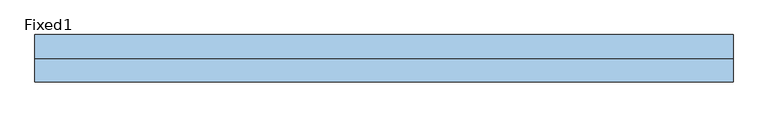
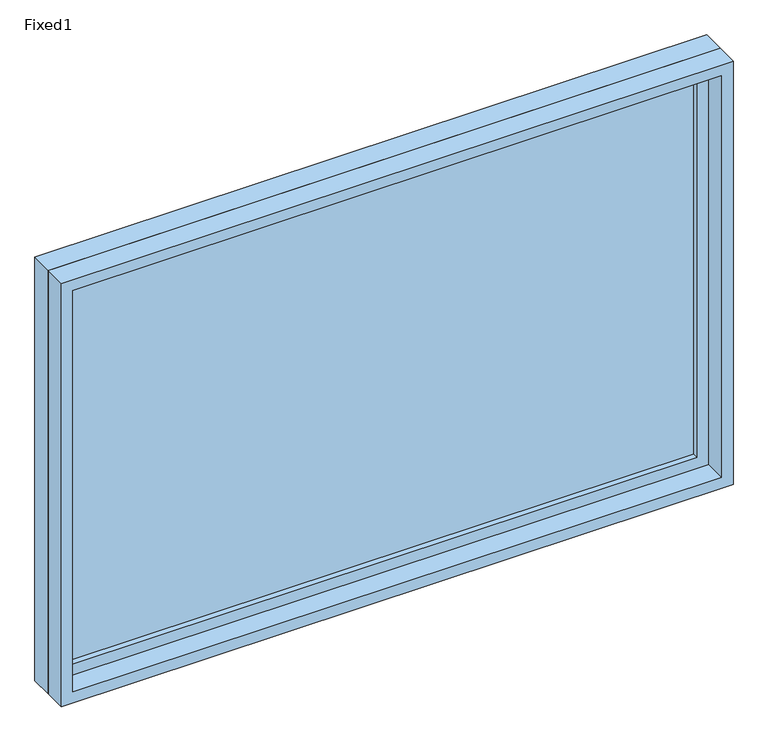
"""IFC4 building model written with IfcOpenShell, lengths in millimetres: window geometry, Fixed1."""

import ifcopenshell
import ifcopenshell.guid

model = None  # the IFC model being written
_history = None  # IfcOwnerHistory: only IFC2X3 demands one
_inside = {}  # id of a spatial element -> (the spatial element, [elements in it])
_under = {}  # id of a project, library or spatial element -> (it, [spatial elements below it])
_declared = {}  # id of a project -> (the project, [libraries it declares])
_typed = {}  # id of a type object -> (the type object, [elements of that type])
_made_of = {}  # id of a material, layer set ... -> (it, [elements and type objects made of it])


def new_model(schema):
    """Start an empty IFC model of exactly this schema.

    Asked for "IFC4X3", IfcOpenShell would pick the latest addendum, in which some entities
    have other attributes; the version numbers below select the first issue.
    IFC2X3 requires an IfcOwnerHistory on every rooted entity: one is made here for all.
    """
    global model, _history
    if schema == "IFC4X3":
        model = ifcopenshell.file(schema_version=(4, 3, 0, 0))
    else:
        model = ifcopenshell.file(schema=schema)
    _inside.clear()
    _under.clear()
    _declared.clear()
    _typed.clear()
    _made_of.clear()
    _history = None
    if model.schema == "IFC2X3":
        org = make("IfcOrganization", Name="unknown")
        user = make(
            "IfcPersonAndOrganization",
            ThePerson=make("IfcPerson", FamilyName="unknown"),
            TheOrganization=org,
        )
        app = make(
            "IfcApplication",
            ApplicationDeveloper=org,
            Version="unknown",
            ApplicationFullName="unknown",
            ApplicationIdentifier="unknown",
        )
        _history = make(
            "IfcOwnerHistory",
            OwningUser=user,
            OwningApplication=app,
            ChangeAction="ADDED",
            CreationDate=0,
        )
    return model


def make(cls, **values):
    """One entity of the class cls with the attributes given. An attribute that is None is left unset."""
    return model.create_entity(
        cls, **{name: value for name, value in values.items() if value is not None}
    )


def rooted(cls, **values):
    """An entity with a GlobalId (a new one), such as an element, a storey or a relation."""
    return make(cls, GlobalId=ifcopenshell.guid.new(), OwnerHistory=_history, **values)


def si_unit(unit_type, name, prefix=None):
    """IfcSIUnit, for example si_unit("LENGTHUNIT", "METRE", prefix="MILLI")."""
    return make("IfcSIUnit", UnitType=unit_type, Prefix=prefix, Name=name)


def assignment(units):
    """IfcUnitAssignment: the units of a project."""
    return None if units is None else make("IfcUnitAssignment", Units=units)


def point(xyz):
    """IfcCartesianPoint."""
    return None if xyz is None else make("IfcCartesianPoint", Coordinates=xyz)


def direction(xyz):
    """IfcDirection."""
    return None if xyz is None else make("IfcDirection", DirectionRatios=xyz)


def frame(location, z_axis=None, x_axis=None):
    """IfcAxis2Placement3D, a coordinate frame: its origin and axes. An axis left out is left unset."""
    return make(
        "IfcAxis2Placement3D",
        Location=point(location),
        Axis=direction(z_axis),
        RefDirection=direction(x_axis),
    )


def origin():
    """The frame at (0, 0, 0) with its axes left unset."""
    return frame((0.0, 0.0, 0.0))


def place(relative_to, where):
    """IfcLocalPlacement: puts the frame where relative to a parent placement (None: the world)."""
    return make(
        "IfcLocalPlacement", PlacementRelTo=relative_to, RelativePlacement=where
    )


def context(
    kind, dimensions, precision=None, world=None, true_north=None, identifier=None
):
    """IfcGeometricRepresentationContext, for example the 3D "Model" context."""
    return make(
        "IfcGeometricRepresentationContext",
        ContextIdentifier=identifier,
        ContextType=kind,
        CoordinateSpaceDimension=dimensions,
        Precision=precision,
        WorldCoordinateSystem=world,
        TrueNorth=true_north,
    )


def project(units=None, contexts=None):
    """IfcProject with its units and contexts."""
    return rooted(
        "IfcProject",
        Name="project",
        RepresentationContexts=contexts,
        UnitsInContext=assignment(units),
    )


def spatial(cls, under=None, at=None, **own):
    """A site, building, storey or space (cls), placed at a placement, below another one or the project."""
    s = rooted(cls, ObjectPlacement=at, **own)
    if under is not None:
        _under.setdefault(under.id(), (under, []))[1].append(s)
    return s


def polyline(points):
    """IfcPolyline through the points."""
    return make("IfcPolyline", Points=[point(p) for p in points])


def outline(outer, holes=None, kind="AREA"):
    """IfcArbitraryClosedProfileDef: a profile drawn as a closed curve; with holes, ...WithVoids."""
    if holes is None:
        return make("IfcArbitraryClosedProfileDef", ProfileType=kind, OuterCurve=outer)
    return make(
        "IfcArbitraryProfileDefWithVoids",
        ProfileType=kind,
        OuterCurve=outer,
        InnerCurves=holes,
    )


def extrude(swept, where, along, depth):
    """IfcExtrudedAreaSolid: the profile swept, set in the frame where, extruded along a direction by depth."""
    return make(
        "IfcExtrudedAreaSolid",
        SweptArea=swept,
        Position=where,
        ExtrudedDirection=direction(along),
        Depth=depth,
    )


def shape(context_of_items, identifier, shape_type, items):
    """IfcShapeRepresentation: the items that make up one representation, for example the "Body"."""
    return make(
        "IfcShapeRepresentation",
        ContextOfItems=context_of_items,
        RepresentationIdentifier=identifier,
        RepresentationType=shape_type,
        Items=items,
    )


def source(mapping_origin, context_of_items, identifier, shape_type, items):
    """IfcRepresentationMap: a shape defined once, which mapped items show again and again."""
    return make(
        "IfcRepresentationMap",
        MappingOrigin=mapping_origin,
        MappedRepresentation=shape(context_of_items, identifier, shape_type, items),
    )


def transform(
    local_origin,
    x_axis=None,
    y_axis=None,
    z_axis=None,
    scale=None,
    scale2=None,
    scale3=None,
    uniform=True,
):
    """IfcCartesianTransformationOperator3D, or its non-uniform kind. x_axis, y_axis, z_axis: its Axis1, 2, 3."""
    if uniform:
        return make(
            "IfcCartesianTransformationOperator3D",
            Axis1=direction(x_axis),
            Axis2=direction(y_axis),
            LocalOrigin=point(local_origin),
            Scale=scale,
            Axis3=direction(z_axis),
        )
    return make(
        "IfcCartesianTransformationOperator3DnonUniform",
        Axis1=direction(x_axis),
        Axis2=direction(y_axis),
        LocalOrigin=point(local_origin),
        Scale=scale,
        Axis3=direction(z_axis),
        Scale2=scale2,
        Scale3=scale3,
    )


def mapped(mapping_source, mapping_target):
    """IfcMappedItem: shows the shape of a source again, moved by a transform."""
    return make(
        "IfcMappedItem", MappingSource=mapping_source, MappingTarget=mapping_target
    )


def made_of(thing, what):
    """Note that an element or type object is made of a material, layer set ...; save() writes the relation."""
    if what is not None:
        _made_of.setdefault(what.id(), (what, []))[1].append(thing)
    return thing


def element(
    cls,
    number,
    at=None,
    inside=None,
    cuts=None,
    type_object=None,
    material=None,
    context=None,
    identifier="Body",
    shape_type=None,
    held_by="IfcProductDefinitionShape",
    body=None,
    shapes=None,
    **own,
):
    """One element of the class cls, such as IfcWall. Its Tag is "e" and its number.

    at: its placement. inside: the storey or other place that contains it. cuts: it is an
    opening in that element (IfcRelVoidsElement). A single representation is given by context,
    identifier, shape_type and body (its items); several are given by shapes. held_by: the class
    of the entity that holds the representations. save() writes the other relations.
    """
    e = rooted(cls, Tag="e%d" % number, ObjectPlacement=at, **own)
    if body is not None:
        shapes = [shape(context, identifier, shape_type, body)]
    if shapes is not None:
        e.Representation = make(held_by, Representations=shapes)
    if inside is not None:
        _inside.setdefault(inside.id(), (inside, []))[1].append(e)
    if cuts is not None:
        rooted(
            "IfcRelVoidsElement", RelatingBuildingElement=cuts, RelatedOpeningElement=e
        )
    if type_object is not None:
        _typed.setdefault(type_object.id(), (type_object, []))[1].append(e)
    return made_of(e, material)


def aggregate(whole, parts):
    """IfcRelAggregates: a whole, such as a stair, and the parts it consists of."""
    return rooted("IfcRelAggregates", RelatingObject=whole, RelatedObjects=parts)


def save(model, path):
    """Write the relations noted so far, then the file.

    IfcRelAggregates (storeys below a building ...), IfcRelContainedInSpatialStructure (elements
    in a storey), IfcRelDefinesByType, IfcRelAssociatesMaterial and IfcRelDeclares: one each for
    every whole, place, type object, material and project.
    """
    for whole, parts in _under.values():
        aggregate(whole, parts)
    for where, things in _inside.values():
        rooted(
            "IfcRelContainedInSpatialStructure",
            RelatedElements=things,
            RelatingStructure=where,
        )
    for kind, things in _typed.values():
        rooted("IfcRelDefinesByType", RelatedObjects=things, RelatingType=kind)
    for what, things in _made_of.values():
        rooted("IfcRelAssociatesMaterial", RelatedObjects=things, RelatingMaterial=what)
    for by, libraries in _declared.values():
        rooted("IfcRelDeclares", RelatingContext=by, RelatedDefinitions=libraries)
    model.write(path)


def fixed1_b9e6787e(model_context):
    return source(origin(), model_context, "Body", "SweptSolid", [
        extrude(outline(polyline([(812.8, 14.2875), (-889.0, 14.2875), (-889.0, 26.9875), (812.8, 26.9875), (812.8, 14.2875)])), frame((0.0, 0.0, 1130.3), z_axis=(0.0, 0.0, 1.0), x_axis=(1.0, 0.0, 0.0)), (0.0, 0.0, 1.0), 1092.2),
        extrude(outline(polyline([(2266.95, -933.45), (1085.85, -933.45), (1085.85, 857.25), (2266.95, 857.25), (2266.95, -933.45)]), holes=[polyline([(2222.5, -889.0), (2222.5, 812.8), (1130.3, 812.8), (1130.3, -889.0), (2222.5, -889.0)])]), frame((0.0, -1.5875, 0.0), z_axis=(0.0, 1.0, 0.0), x_axis=(0.0, 0.0, 1.0)), (0.0, 0.0, 1.0), 44.45),
        extrude(outline(polyline([(2286.0, -952.5), (1066.8, -952.5), (1066.8, 876.3), (2286.0, 876.3), (2286.0, -952.5)]), holes=[polyline([(2254.25, -920.75), (2254.25, 844.55), (1098.55, 844.55), (1098.55, -920.75), (2254.25, -920.75)])]), frame((0.0, -61.9125, 0.0), z_axis=(0.0, 1.0, 0.0), x_axis=(0.0, 0.0, 1.0)), (0.0, 0.0, 1.0), 60.325),
        extrude(outline(polyline([(2286.0, 876.3), (2286.0, -952.5), (1066.8, -952.5), (1066.8, 876.3), (2286.0, 876.3)]), holes=[polyline([(2266.95, 857.25), (1085.85, 857.25), (1085.85, -933.45), (2266.95, -933.45), (2266.95, 857.25)])]), frame((0.0, -1.5875, 0.0), z_axis=(0.0, 1.0, 0.0), x_axis=(0.0, 0.0, 1.0)), (0.0, 0.0, 1.0), 63.5),
    ])


if __name__ == "__main__":
    model = new_model("IFC4")
    model_context = context("Model", 3, world=origin())
    ifc_project = project(units=[si_unit("LENGTHUNIT", "METRE", prefix="MILLI")], contexts=[model_context])
    site = spatial("IfcSite", under=ifc_project)
    building = spatial("IfcBuilding", under=site)
    placement = place(None, origin())
    fixed1_shape = fixed1_b9e6787e(model_context)
    element("IfcWindow", 1, ObjectType="Fixed1", at=placement, inside=building, context=model_context, shape_type="MappedRepresentation", body=[
        mapped(fixed1_shape, transform((0.0, 0.0, 0.0), x_axis=(1.0, 0.0, 0.0), y_axis=(0.0, 1.0, 0.0), z_axis=(0.0, 0.0, 1.0))),
    ])
    save(model, "model.ifc")
